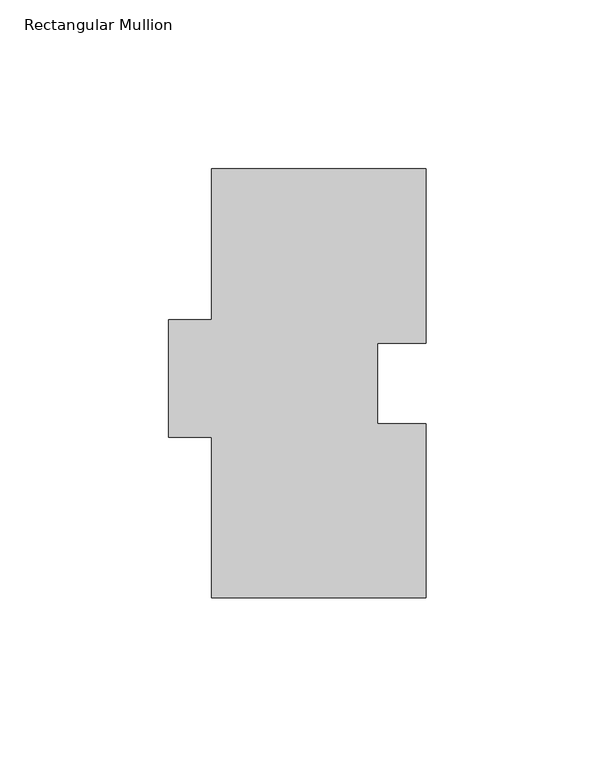
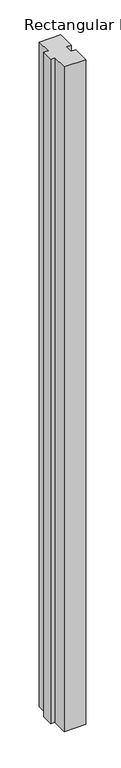
"""IFC4 building model written with IfcOpenShell, lengths in millimetres: member geometry, Rectangular Mullion."""

from ifc_helpers import new_model, si_unit, frame, origin, place, context, project, spatial, polyline, outline, extrude, source, transform, mapped, element, save


def rectangular_mullion_98955703(model_context):
    return source(origin(), model_context, "Body", "SweptSolid", [
        extrude(outline(polyline([(31.75, 126.9563438), (31.75, 75.3562438), (17.4498, 75.3562438), (17.4498, 51.5564438), (31.75, 51.5564438), (31.75, -0.0436562), (-31.75, -0.0436562), (-31.75, 47.5813437), (-44.45, 47.5813437), (-44.45, 82.2523438), (-31.75, 82.2523438), (-31.75, 126.9563438), (31.75, 126.9563438)])), frame((0.0, 0.0, -2060.575), z_axis=(0.0, 0.0, 1.0), x_axis=(1.0, 0.0, 0.0)), (0.0, 0.0, 1.0), 2060.575),
    ])


if __name__ == "__main__":
    model = new_model("IFC4")
    model_context = context("Model", 3, world=origin())
    ifc_project = project(units=[si_unit("LENGTHUNIT", "METRE", prefix="MILLI")], contexts=[model_context])
    site = spatial("IfcSite", under=ifc_project)
    building = spatial("IfcBuilding", under=site)
    placement = place(None, origin())
    rectangular_mullion_shape = rectangular_mullion_98955703(model_context)
    element("IfcMember", 1, ObjectType="Rectangular Mullion", at=placement, inside=building, context=model_context, shape_type="MappedRepresentation", body=[
        mapped(rectangular_mullion_shape, transform((0.0, 0.0, 0.0), x_axis=(1.0, 0.0, 0.0), y_axis=(0.0, 1.0, 0.0), z_axis=(0.0, 0.0, 1.0))),
    ])
    save(model, "model.ifc")
